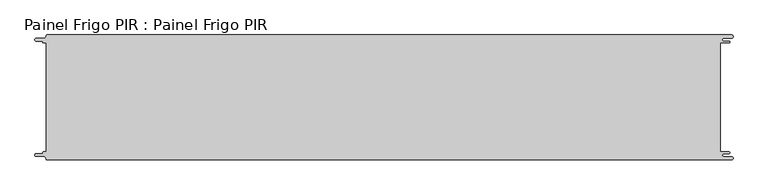
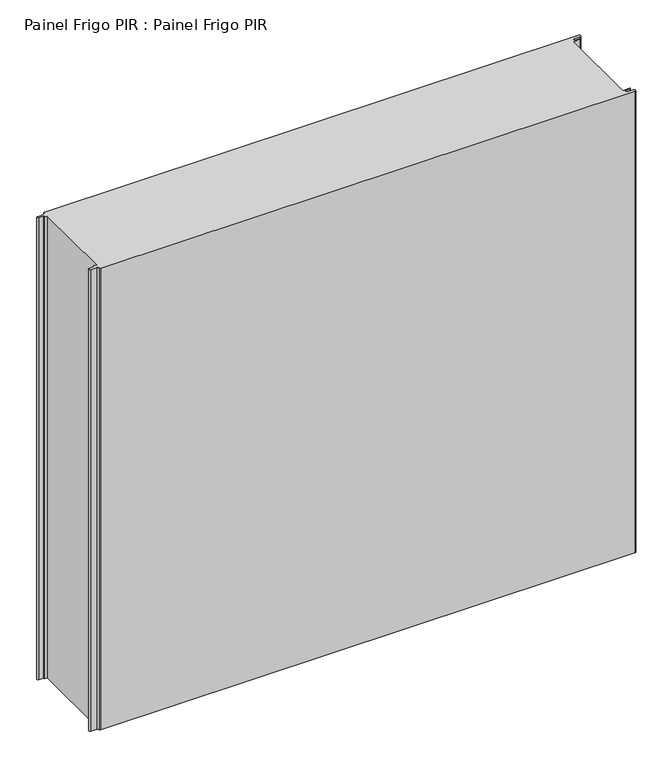
"""IFC4 building model written with IfcOpenShell, lengths in millimetres: proxy geometry, Painel Frigo PIR : Painel Frigo PIR."""

from ifc_helpers import new_model, si_unit, frame, origin, place, context, project, spatial, polyline, circle_curve, source, transform, mapped, element, save
from ifc_brep_helpers import plane_surface, cylinder_surface, revolved_surface, advanced_brep


def painel_frigo_pir_painel_frigo_pir_c34962f8(model_context):
    return source(origin(), model_context, "Body", "AdvancedBrep", [
        advanced_brep(
        [(-554.5874998, 87.3, 1000.0), (-549.2999612, 87.3, 1000.0), (-549.2999612, -87.2999995, 1000.0), (-554.5874998, -87.2999995, 1000.0), (-555.1875003, -87.9, 1000.0), (-555.1875003, -88.7085185, 1000.0), (-556.5875003, -90.1085185, 1000.0), (-565.565625, -90.1085185, 1000.0), (-565.565625, -94.5085185, 1000.0), (-553.55, -94.5085185, 1000.0), (-550.0, -98.0585185, 1000.0), (-548.05, -100.0, 1000.0), (546.89375, -100.0, 1000.0), (546.89375, -94.725, 1000.0), (534.45625, -94.725, 1000.0), (534.45625, -89.875, 1000.0), (543.1187503, -89.875, 1000.0), (543.1187503, -87.3, 1000.0), (529.2687503, -87.3, 1000.0), (529.2687503, 87.3, 1000.0), (543.1187503, 87.3, 1000.0), (543.1187503, 89.875, 1000.0), (534.45625, 89.875, 1000.0), (534.45625, 94.725, 1000.0), (546.89375, 94.725, 1000.0), (546.89375, 100.0, 1000.0), (-548.05, 100.0, 1000.0), (-550.0, 98.05, 1000.0), (-553.55, 94.5085185, 1000.0), (-565.565625, 94.5085185, 1000.0), (-565.565625, 90.1085187, 1000.0), (-556.5875001, 90.1085187, 1000.0), (-555.1874998, 88.7085184, 1000.0), (-555.1874998, 87.9, 1000.0), (-554.5874998, 87.3, 0.0), (-555.1874998, 87.9, 0.0), (-555.1874998, 88.7085184, 0.0), (-556.5875001, 90.1085187, 0.0), (-565.565625, 90.1085187, 0.0), (-565.565625, 94.5085185, 0.0), (-553.55, 94.5085185, 0.0), (-550.0, 98.0585185, 0.0), (-548.05, 100.0, 0.0), (546.89375, 100.0, 0.0), (546.89375, 94.725, 0.0), (534.45625, 94.725, 0.0), (534.45625, 89.875, 0.0), (543.1187503, 89.875, 0.0), (543.1187503, 87.3, 0.0), (529.2687503, 87.3, 0.0), (529.2687503, -87.3, 0.0), (543.1187503, -87.3, 0.0), (543.1187503, -89.875, 0.0), (534.45625, -89.875, 0.0), (534.45625, -94.725, 0.0), (546.89375, -94.725, 0.0), (546.89375, -100.0, 0.0), (-548.05, -100.0, 0.0), (-550.0, -98.05, 0.0), (-553.55, -94.5085185, 0.0), (-565.565625, -94.5085185, 0.0), (-565.565625, -90.1085185, 0.0), (-556.5875003, -90.1085185, 0.0), (-555.1875003, -88.7085185, 0.0), (-555.1875003, -87.9, 0.0), (-554.5874998, -87.2999995, 0.0), (-549.2999612, -87.2999995, 0.0), (-549.2999612, 87.3, 0.0)],
        [
            (0, 1),
            (1, 2),
            (2, 3),
            (3, 4, circle_curve(frame((-554.5874998, -87.9, 1000.0), z_axis=(0.0, 0.0, 1.0), x_axis=(1.0, 0.0, 0.0)), 0.6000005)),
            (4, 5),
            (5, 6, circle_curve(frame((-556.5875003, -88.7085185, 1000.0), z_axis=(0.0, 0.0, -1.0), x_axis=(1.0, 0.0, 0.0)), 1.4)),
            (6, 7),
            (7, 8, circle_curve(frame((-565.565625, -92.3085185, 1000.0), z_axis=(0.0, 0.0, 1.0), x_axis=(1.0, 0.0, 0.0)), 2.2)),
            (8, 9),
            (9, 10, circle_curve(frame((-553.55, -98.0585185, 1000.0), z_axis=(0.0, 0.0, -1.0), x_axis=(1.0, 0.0, 0.0)), 3.55)),
            (10, 11, circle_curve(frame((-548.05, -98.05, 1000.0), z_axis=(0.0, 0.0, 1.0), x_axis=(1.0, 0.0, 0.0)), 1.95)),
            (11, 12),
            (12, 13, circle_curve(frame((546.89375, -97.3625, 1000.0), z_axis=(0.0, 0.0, 1.0), x_axis=(1.0, 0.0, 0.0)), 2.6375)),
            (13, 14),
            (14, 15, circle_curve(frame((534.45625, -92.3, 1000.0), z_axis=(0.0, 0.0, -1.0), x_axis=(1.0, 0.0, 0.0)), 2.425)),
            (15, 16),
            (16, 17, circle_curve(frame((543.1187503, -88.5875, 1000.0), z_axis=(0.0, 0.0, 1.0), x_axis=(1.0, 0.0, 0.0)), 1.2875)),
            (17, 18),
            (18, 19),
            (19, 20),
            (20, 21, circle_curve(frame((543.1187503, 88.5875, 1000.0), z_axis=(0.0, 0.0, 1.0), x_axis=(1.0, 0.0, 0.0)), 1.2875)),
            (21, 22),
            (22, 23, circle_curve(frame((534.45625, 92.3, 1000.0), z_axis=(0.0, 0.0, -1.0), x_axis=(1.0, 0.0, 0.0)), 2.425)),
            (23, 24),
            (24, 25, circle_curve(frame((546.89375, 97.3625, 1000.0), z_axis=(0.0, 0.0, 1.0), x_axis=(1.0, 0.0, 0.0)), 2.6375)),
            (25, 26),
            (26, 27, circle_curve(frame((-548.05, 98.05, 1000.0), z_axis=(0.0, 0.0, 1.0), x_axis=(1.0, 0.0, 0.0)), 1.95)),
            (27, 28, circle_curve(frame((-553.55, 98.0585185, 1000.0), z_axis=(0.0, 0.0, -1.0), x_axis=(1.0, 0.0, 0.0)), 3.55)),
            (28, 29),
            (29, 30, circle_curve(frame((-565.565625, 92.3085186, 1000.0), z_axis=(0.0, 0.0, 1.0), x_axis=(1.0, 0.0, 0.0)), 2.1999999)),
            (30, 31),
            (31, 32, circle_curve(frame((-556.5875001, 88.7085184, 1000.0), z_axis=(0.0, 0.0, -1.0), x_axis=(1.0, 0.0, 0.0)), 1.4000003)),
            (32, 33),
            (33, 0, circle_curve(frame((-554.5874998, 87.9, 1000.0), z_axis=(0.0, 0.0, 1.0), x_axis=(1.0, 0.0, 0.0)), 0.6)),
            (34, 35, circle_curve(frame((-554.5874998, 87.9, 0.0), z_axis=(0.0, 0.0, -1.0), x_axis=(1.0, 0.0, 0.0)), 0.6)),
            (35, 36),
            (36, 37, circle_curve(frame((-556.5875001, 88.7085184, 0.0), z_axis=(0.0, 0.0, 1.0), x_axis=(1.0, 0.0, 0.0)), 1.4000003)),
            (37, 38),
            (38, 39, circle_curve(frame((-565.565625, 92.3085186, 0.0), z_axis=(0.0, 0.0, -1.0), x_axis=(1.0, 0.0, 0.0)), 2.1999999)),
            (39, 40),
            (40, 41, circle_curve(frame((-553.55, 98.0585185, 0.0), z_axis=(0.0, 0.0, 1.0), x_axis=(1.0, 0.0, 0.0)), 3.55)),
            (41, 42, circle_curve(frame((-548.05, 98.05, 0.0), z_axis=(0.0, 0.0, -1.0), x_axis=(1.0, 0.0, 0.0)), 1.95)),
            (42, 43),
            (43, 44, circle_curve(frame((546.89375, 97.3625, 0.0), z_axis=(0.0, 0.0, -1.0), x_axis=(1.0, 0.0, 0.0)), 2.6375)),
            (44, 45),
            (45, 46, circle_curve(frame((534.45625, 92.3, 0.0), z_axis=(0.0, 0.0, 1.0), x_axis=(1.0, 0.0, 0.0)), 2.425)),
            (46, 47),
            (47, 48, circle_curve(frame((543.1187503, 88.5875, 0.0), z_axis=(0.0, 0.0, -1.0), x_axis=(1.0, 0.0, 0.0)), 1.2875)),
            (48, 49),
            (49, 50),
            (50, 51),
            (51, 52, circle_curve(frame((543.1187503, -88.5875, 0.0), z_axis=(0.0, 0.0, -1.0), x_axis=(1.0, 0.0, 0.0)), 1.2875)),
            (52, 53),
            (53, 54, circle_curve(frame((534.45625, -92.3, 0.0), z_axis=(0.0, 0.0, 1.0), x_axis=(1.0, 0.0, 0.0)), 2.425)),
            (54, 55),
            (55, 56, circle_curve(frame((546.89375, -97.3625, 0.0), z_axis=(0.0, 0.0, -1.0), x_axis=(1.0, 0.0, 0.0)), 2.6375)),
            (56, 57),
            (57, 58, circle_curve(frame((-548.05, -98.05, 0.0), z_axis=(0.0, 0.0, -1.0), x_axis=(1.0, 0.0, 0.0)), 1.95)),
            (58, 59, circle_curve(frame((-553.55, -98.0585185, 0.0), z_axis=(0.0, 0.0, 1.0), x_axis=(1.0, 0.0, 0.0)), 3.55)),
            (59, 60),
            (60, 61, circle_curve(frame((-565.565625, -92.3085185, 0.0), z_axis=(0.0, 0.0, -1.0), x_axis=(1.0, 0.0, 0.0)), 2.2)),
            (61, 62),
            (62, 63, circle_curve(frame((-556.5875003, -88.7085185, 0.0), z_axis=(0.0, 0.0, 1.0), x_axis=(1.0, 0.0, 0.0)), 1.4)),
            (63, 64),
            (64, 65, circle_curve(frame((-554.5874998, -87.9, 0.0), z_axis=(0.0, 0.0, -1.0), x_axis=(1.0, 0.0, 0.0)), 0.6000005)),
            (65, 66),
            (66, 67),
            (67, 34),
            (0, 34),
            (67, 1),
            (66, 2),
            (65, 3),
            (64, 4),
            (63, 5),
            (62, 6),
            (61, 7),
            (60, 8),
            (59, 9),
            (58, 10),
            (57, 11),
            (56, 12),
            (18, 50),
            (49, 19),
            (48, 20),
            (47, 21),
            (46, 22),
            (45, 23),
            (44, 24),
            (43, 25),
            (42, 26),
            (41, 27),
            (40, 28),
            (39, 29),
            (38, 30),
            (37, 31),
            (36, 32),
            (35, 33),
            (55, 13),
            (54, 14),
            (53, 15),
            (52, 16),
            (51, 17),
        ],
        [
            plane_surface(frame((-549.2999612, 87.3, 1000.0), z_axis=(0.0, 0.0, 1.0), x_axis=(1.0, 0.0, 0.0))),
            plane_surface(frame((-549.2999612, 87.3, 0.0), z_axis=(0.0, 0.0, -1.0), x_axis=(-1.0, 0.0, 0.0))),
            plane_surface(frame((-554.5874998, 87.3, 1000.0), z_axis=(0.0, -1.0, 0.0), x_axis=(0.0, 0.0, -1.0))),
            plane_surface(frame((-549.2999612, 87.3, 1000.0), z_axis=(-1.0, 0.0, 0.0), x_axis=(0.0, 0.0, -1.0))),
            plane_surface(frame((-549.2999612, -87.2999995, 1000.0), z_axis=(0.0, 1.0, 0.0), x_axis=(0.0, 0.0, -1.0))),
            cylinder_surface(frame((-554.5874998, -87.9, 0.0), z_axis=(0.0, 0.0, 1.0), x_axis=(1.0, 0.0, 0.0)), 0.6000005),
            plane_surface(frame((-555.1875003, -87.9, 1000.0), z_axis=(-1.0, 1.7578608662330256e-12, 0.0), x_axis=(0.0, 0.0, -1.0))),
            revolved_surface(polyline([(-555.1875003, -88.7085185, 0.0), (-555.1875003, -88.7085185, 1000.0)]), (-556.5875003, -88.7085185, 0.0), (0.0, 0.0, -1.0)),
            plane_surface(frame((-556.5875003, -90.1085185, 1000.0), z_axis=(0.0, 1.0, 0.0), x_axis=(0.0, 0.0, -1.0))),
            cylinder_surface(frame((-565.565625, -92.3085185, 0.0), z_axis=(0.0, 0.0, 1.0), x_axis=(1.0, 0.0, 0.0)), 2.2),
            plane_surface(frame((-565.565625, -94.5085185, 1000.0), z_axis=(0.0, -1.0, 0.0), x_axis=(0.0, 0.0, -1.0))),
            revolved_surface(polyline([(-550.0, -98.0585185, 0.0), (-550.0, -98.0585185, 1000.0)]), (-553.55, -98.0585185, 0.0), (0.0, 0.0, -1.0)),
            cylinder_surface(frame((-548.05, -98.05, 0.0), z_axis=(0.0, 0.0, 1.0), x_axis=(1.0, 0.0, 0.0)), 1.95),
            plane_surface(frame((-548.05, -100.0, 1000.0), z_axis=(0.0, -1.0, 0.0), x_axis=(0.0, 0.0, -1.0))),
            plane_surface(frame((529.2687503, -87.3, 1000.0), z_axis=(1.0, 0.0, 0.0), x_axis=(0.0, 0.0, -1.0))),
            plane_surface(frame((529.2687503, 87.3, 1000.0), z_axis=(0.0, -1.0, 0.0), x_axis=(0.0, 0.0, -1.0))),
            cylinder_surface(frame((543.1187503, 88.5875, 0.0), z_axis=(0.0, 0.0, 1.0), x_axis=(1.0, 0.0, 0.0)), 1.2875),
            plane_surface(frame((543.1187503, 89.875, 1000.0), z_axis=(0.0, 1.0, 0.0), x_axis=(0.0, 0.0, -1.0))),
            revolved_surface(polyline([(536.8812499999999, 92.3, 0.0), (536.8812499999999, 92.3, 1000.0)]), (534.45625, 92.3, 0.0), (0.0, 0.0, -1.0)),
            plane_surface(frame((534.45625, 94.725, 1000.0), z_axis=(0.0, -1.0, 0.0), x_axis=(0.0, 0.0, -1.0))),
            cylinder_surface(frame((546.89375, 97.3625, 0.0), z_axis=(0.0, 0.0, 1.0), x_axis=(1.0, 0.0, 0.0)), 2.6375),
            plane_surface(frame((546.89375, 100.0, 1000.0), z_axis=(0.0, 1.0, 0.0), x_axis=(0.0, 0.0, -1.0))),
            cylinder_surface(frame((-548.05, 98.05, 0.0), z_axis=(0.0, 0.0, 1.0), x_axis=(1.0, 0.0, 0.0)), 1.95),
            revolved_surface(polyline([(-550.0, 98.0585185, 0.0), (-550.0, 98.0585185, 1000.0)]), (-553.55, 98.0585185, 0.0), (0.0, 0.0, -1.0)),
            plane_surface(frame((-553.55, 94.5085185, 1000.0), z_axis=(0.0, 1.0, 0.0), x_axis=(0.0, 0.0, -1.0))),
            cylinder_surface(frame((-565.565625, 92.3085186, 0.0), z_axis=(0.0, 0.0, 1.0), x_axis=(1.0, 0.0, 0.0)), 2.1999999),
            plane_surface(frame((-565.565625, 90.1085187, 1000.0), z_axis=(0.0, -1.0, 0.0), x_axis=(0.0, 0.0, -1.0))),
            revolved_surface(polyline([(-555.1874998000001, 88.7085184, 0.0), (-555.1874998000001, 88.7085184, 1000.0)]), (-556.5875001, 88.7085184, 0.0), (0.0, 0.0, -1.0)),
            plane_surface(frame((-555.1874998, 88.7085184, 1000.0), z_axis=(-1.0, 0.0, 0.0), x_axis=(0.0, 0.0, -1.0))),
            cylinder_surface(frame((-554.5874998, 87.9, 0.0), z_axis=(0.0, 0.0, 1.0), x_axis=(1.0, 0.0, 0.0)), 0.6),
            cylinder_surface(frame((546.89375, -97.3625, 0.0), z_axis=(0.0, 0.0, 1.0), x_axis=(1.0, 0.0, 0.0)), 2.6375),
            plane_surface(frame((546.89375, -94.725, 1000.0), z_axis=(0.0, 1.0, 0.0), x_axis=(0.0, 0.0, -1.0))),
            revolved_surface(polyline([(536.8812499999999, -92.3, 0.0), (536.8812499999999, -92.3, 1000.0)]), (534.45625, -92.3, 0.0), (0.0, 0.0, -1.0)),
            plane_surface(frame((534.45625, -89.875, 1000.0), z_axis=(0.0, -1.0, 0.0), x_axis=(0.0, 0.0, -1.0))),
            cylinder_surface(frame((543.1187503, -88.5875, 0.0), z_axis=(0.0, 0.0, 1.0), x_axis=(1.0, 0.0, 0.0)), 1.2875),
            plane_surface(frame((543.1187503, -87.3, 1000.0), z_axis=(0.0, 1.0, 0.0), x_axis=(0.0, 0.0, -1.0))),
        ],
        [
            (0, [[1, 2, 3, 4, 5, 6, 7, 8, 9, 10, 11, 12, 13, 14, 15, 16, 17, 18, 19, 20, 21, 22, 23, 24, 25, 26, 27, 28, 29, 30, 31, 32, 33, 34]]),
            (1, [[35, 36, 37, 38, 39, 40, 41, 42, 43, 44, 45, 46, 47, 48, 49, 50, 51, 52, 53, 54, 55, 56, 57, 58, 59, 60, 61, 62, 63, 64, 65, 66, 67, 68]]),
            (2, [[-1, 69, -68, 70]]),
            (3, [[-2, -70, -67, 71]]),
            (4, [[-3, -71, -66, 72]]),
            (5, [[-4, -72, -65, 73]]),
            (6, [[-5, -73, -64, 74]]),
            (7, [[-6, -74, -63, 75]]),
            (8, [[-7, -75, -62, 76]]),
            (9, [[-8, -76, -61, 77]]),
            (10, [[-9, -77, -60, 78]]),
            (11, [[-10, -78, -59, 79]]),
            (12, [[-11, -79, -58, 80]]),
            (13, [[-12, -80, -57, 81]]),
            (14, [[-19, 82, -50, 83]]),
            (15, [[-20, -83, -49, 84]]),
            (16, [[-21, -84, -48, 85]]),
            (17, [[-22, -85, -47, 86]]),
            (18, [[-23, -86, -46, 87]]),
            (19, [[-24, -87, -45, 88]]),
            (20, [[-25, -88, -44, 89]]),
            (21, [[-26, -89, -43, 90]]),
            (22, [[-27, -90, -42, 91]]),
            (23, [[-28, -91, -41, 92]]),
            (24, [[-29, -92, -40, 93]]),
            (25, [[-30, -93, -39, 94]]),
            (26, [[-31, -94, -38, 95]]),
            (27, [[-32, -95, -37, 96]]),
            (28, [[-33, -96, -36, 97]]),
            (29, [[-34, -97, -35, -69]]),
            (30, [[-13, -81, -56, 98]]),
            (31, [[-14, -98, -55, 99]]),
            (32, [[-15, -99, -54, 100]]),
            (33, [[-16, -100, -53, 101]]),
            (34, [[-17, -101, -52, 102]]),
            (35, [[-18, -102, -51, -82]]),
        ],
    ),
    ])


if __name__ == "__main__":
    model = new_model("IFC4")
    model_context = context("Model", 3, world=origin())
    ifc_project = project(units=[si_unit("LENGTHUNIT", "METRE", prefix="MILLI")], contexts=[model_context])
    site = spatial("IfcSite", under=ifc_project)
    building = spatial("IfcBuilding", under=site)
    placement = place(None, origin())
    painel_frigo_pir_painel_frigo_pir_shape = painel_frigo_pir_painel_frigo_pir_c34962f8(model_context)
    element("IfcBuildingElementProxy", 1, Name="Painel Frigo PIR : Painel Frigo PIR", ObjectType="Painel Frigo PIR : Painel Frigo PIR", at=placement, inside=building, context=model_context, shape_type="MappedRepresentation", body=[
        mapped(painel_frigo_pir_painel_frigo_pir_shape, transform((0.0, 0.0, 0.0), x_axis=(1.0, 0.0, 0.0), y_axis=(0.0, 1.0, 0.0), z_axis=(0.0, 0.0, 1.0))),
    ])
    save(model, "model.ifc")
